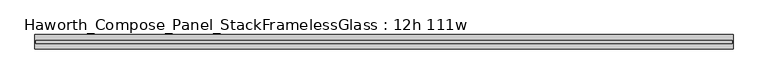
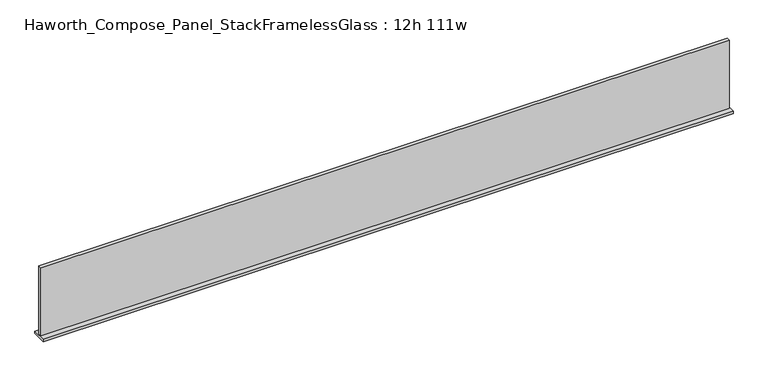
"""IFC4 building model written with IfcOpenShell, lengths in millimetres: furniture geometry, Haworth_Compose_Panel_StackFramelessGlass : 12h 111w."""

from ifc_helpers import new_model, si_unit, frame, origin, place, context, project, spatial, polyline, outline, extrude, source, transform, mapped, element, save


def haworth_compose_panel_stackframelessglass_12h_111w_9e710e12(model_context):
    return source(origin(), model_context, "Body", "SweptSolid", [
        extrude(outline(polyline([(1408.9652902, -27.3093594), (-1404.0847098, -27.3093594), (-1404.0847098, -14.6093594), (1408.9652902, -14.6093594), (1408.9652902, -27.3093594)])), frame((0.0, 0.0, 1279.525), z_axis=(0.0, 0.0, 1.0), x_axis=(1.0, 0.0, 0.0)), (0.0, 0.0, 1.0), 295.275),
        extrude(outline(polyline([(-1407.2597098, -50.3281094), (-1407.2597098, 8.4093906), (1412.1402902, 8.4093906), (1412.1402902, -50.3281094), (-1407.2597098, -50.3281094)])), frame((0.0, 0.0, 1270.0), z_axis=(0.0, 0.0, 1.0), x_axis=(1.0, 0.0, 0.0)), (0.0, 0.0, 1.0), 9.525),
    ])


if __name__ == "__main__":
    model = new_model("IFC4")
    model_context = context("Model", 3, world=origin())
    ifc_project = project(units=[si_unit("LENGTHUNIT", "METRE", prefix="MILLI")], contexts=[model_context])
    site = spatial("IfcSite", under=ifc_project)
    building = spatial("IfcBuilding", under=site)
    placement = place(None, origin())
    haworth_compose_panel_stackframelessglass_12h_111w_shape = haworth_compose_panel_stackframelessglass_12h_111w_9e710e12(model_context)
    element("IfcFurniture", 1, ObjectType="Haworth_Compose_Panel_StackFramelessGlass : 12h 111w", at=placement, inside=building, context=model_context, shape_type="MappedRepresentation", body=[
        mapped(haworth_compose_panel_stackframelessglass_12h_111w_shape, transform((0.0, 0.0, 0.0), x_axis=(1.0, 0.0, 0.0), y_axis=(0.0, 1.0, 0.0), z_axis=(0.0, 0.0, 1.0))),
    ])
    save(model, "model.ifc")
